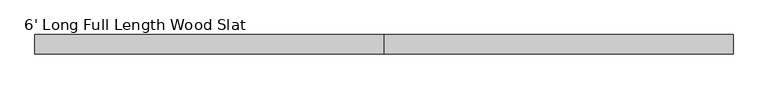
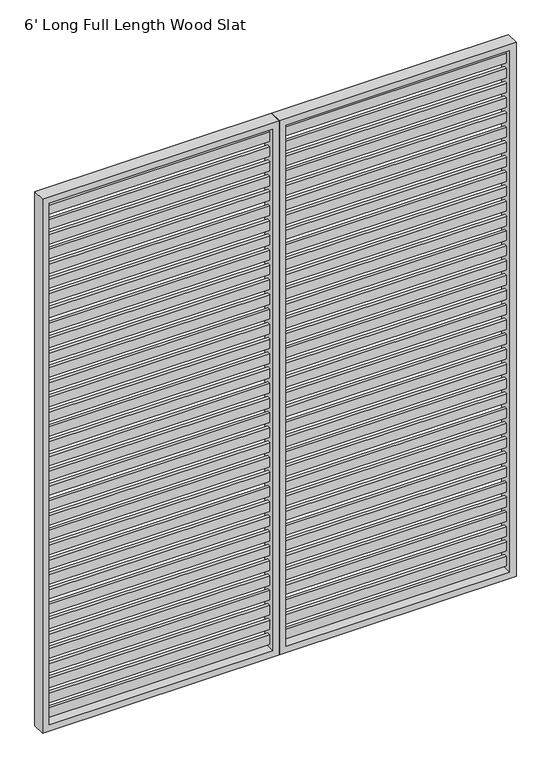
"""IFC4 building model written with IfcOpenShell, lengths in millimetres: furniture geometry, 6' Long Full Length Wood Slat."""

from ifc_helpers import new_model, si_unit, frame, origin, place, context, project, spatial, polyline, outline, extrude, source, transform, mapped, element, save


def furniture_6_long_full_length_wood_slat_55355386(model_context):
    return source(origin(), model_context, "Body", "SweptSolid", [
        extrude(outline(polyline([(1803.4, -6.35), (939.8, -6.35), (939.8, 6.35), (1803.4, 6.35), (1803.4, -6.35)])), frame((0.0, 0.0, 2030.4880644), z_axis=(0.0, 0.0, 1.0), x_axis=(1.0, 0.0, 0.0)), (0.0, 0.0, 1.0), 38.0999955),
        extrude(outline(polyline([(1803.4, -6.35), (939.8, -6.35), (939.8, 6.35), (1803.4, 6.35), (1803.4, -6.35)])), frame((0.0, 0.0, 1970.1654869), z_axis=(0.0, 0.0, 1.0), x_axis=(1.0, 0.0, 0.0)), (0.0, 0.0, 1.0), 38.0999955),
        extrude(outline(polyline([(1803.4, -6.35), (939.8, -6.35), (939.8, 6.35), (1803.4, 6.35), (1803.4, -6.35)])), frame((0.0, 0.0, 1909.8429094), z_axis=(0.0, 0.0, 1.0), x_axis=(1.0, 0.0, 0.0)), (0.0, 0.0, 1.0), 38.0999955),
        extrude(outline(polyline([(1803.4, -6.35), (939.8, -6.35), (939.8, 6.35), (1803.4, 6.35), (1803.4, -6.35)])), frame((0.0, 0.0, 1849.520332), z_axis=(0.0, 0.0, 1.0), x_axis=(1.0, 0.0, 0.0)), (0.0, 0.0, 1.0), 38.0999955),
        extrude(outline(polyline([(1803.4, -6.35), (939.8, -6.35), (939.8, 6.35), (1803.4, 6.35), (1803.4, -6.35)])), frame((0.0, 0.0, 1789.1977545), z_axis=(0.0, 0.0, 1.0), x_axis=(1.0, 0.0, 0.0)), (0.0, 0.0, 1.0), 38.0999955),
        extrude(outline(polyline([(1803.4, -6.35), (939.8, -6.35), (939.8, 6.35), (1803.4, 6.35), (1803.4, -6.35)])), frame((0.0, 0.0, 1728.875177), z_axis=(0.0, 0.0, 1.0), x_axis=(1.0, 0.0, 0.0)), (0.0, 0.0, 1.0), 38.0999955),
        extrude(outline(polyline([(1803.4, -6.35), (939.8, -6.35), (939.8, 6.35), (1803.4, 6.35), (1803.4, -6.35)])), frame((0.0, 0.0, 1668.5525996), z_axis=(0.0, 0.0, 1.0), x_axis=(1.0, 0.0, 0.0)), (0.0, 0.0, 1.0), 38.0999955),
        extrude(outline(polyline([(1803.4, -6.35), (939.8, -6.35), (939.8, 6.35), (1803.4, 6.35), (1803.4, -6.35)])), frame((0.0, 0.0, 1608.2300221), z_axis=(0.0, 0.0, 1.0), x_axis=(1.0, 0.0, 0.0)), (0.0, 0.0, 1.0), 38.0999955),
        extrude(outline(polyline([(1803.4, -6.35), (939.8, -6.35), (939.8, 6.35), (1803.4, 6.35), (1803.4, -6.35)])), frame((0.0, 0.0, 1547.9074446), z_axis=(0.0, 0.0, 1.0), x_axis=(1.0, 0.0, 0.0)), (0.0, 0.0, 1.0), 38.0999955),
        extrude(outline(polyline([(1803.4, -6.35), (939.8, -6.35), (939.8, 6.35), (1803.4, 6.35), (1803.4, -6.35)])), frame((0.0, 0.0, 1487.5848672), z_axis=(0.0, 0.0, 1.0), x_axis=(1.0, 0.0, 0.0)), (0.0, 0.0, 1.0), 38.0999955),
        extrude(outline(polyline([(1803.4, -6.35), (939.8, -6.35), (939.8, 6.35), (1803.4, 6.35), (1803.4, -6.35)])), frame((0.0, 0.0, 1427.2622897), z_axis=(0.0, 0.0, 1.0), x_axis=(1.0, 0.0, 0.0)), (0.0, 0.0, 1.0), 38.0999955),
        extrude(outline(polyline([(1803.4, -6.35), (939.8, -6.35), (939.8, 6.35), (1803.4, 6.35), (1803.4, -6.35)])), frame((0.0, 0.0, 1366.9397122), z_axis=(0.0, 0.0, 1.0), x_axis=(1.0, 0.0, 0.0)), (0.0, 0.0, 1.0), 38.0999955),
        extrude(outline(polyline([(1803.4, -6.35), (939.8, -6.35), (939.8, 6.35), (1803.4, 6.35), (1803.4, -6.35)])), frame((0.0, 0.0, 1306.6171348), z_axis=(0.0, 0.0, 1.0), x_axis=(1.0, 0.0, 0.0)), (0.0, 0.0, 1.0), 38.0999955),
        extrude(outline(polyline([(1803.4, -6.35), (939.8, -6.35), (939.8, 6.35), (1803.4, 6.35), (1803.4, -6.35)])), frame((0.0, 0.0, 1246.2945573), z_axis=(0.0, 0.0, 1.0), x_axis=(1.0, 0.0, 0.0)), (0.0, 0.0, 1.0), 38.0999955),
        extrude(outline(polyline([(1803.4, -6.35), (939.8, -6.35), (939.8, 6.35), (1803.4, 6.35), (1803.4, -6.35)])), frame((0.0, 0.0, 1185.9719798), z_axis=(0.0, 0.0, 1.0), x_axis=(1.0, 0.0, 0.0)), (0.0, 0.0, 1.0), 38.0999955),
        extrude(outline(polyline([(1803.4, -6.35), (939.8, -6.35), (939.8, 6.35), (1803.4, 6.35), (1803.4, -6.35)])), frame((0.0, 0.0, 1125.6494024), z_axis=(0.0, 0.0, 1.0), x_axis=(1.0, 0.0, 0.0)), (0.0, 0.0, 1.0), 38.0999955),
        extrude(outline(polyline([(1803.4, -6.35), (939.8, -6.35), (939.8, 6.35), (1803.4, 6.35), (1803.4, -6.35)])), frame((0.0, 0.0, 1065.3268249), z_axis=(0.0, 0.0, 1.0), x_axis=(1.0, 0.0, 0.0)), (0.0, 0.0, 1.0), 38.0999955),
        extrude(outline(polyline([(1803.4, -6.35), (939.8, -6.35), (939.8, 6.35), (1803.4, 6.35), (1803.4, -6.35)])), frame((0.0, 0.0, 1005.0042474), z_axis=(0.0, 0.0, 1.0), x_axis=(1.0, 0.0, 0.0)), (0.0, 0.0, 1.0), 38.0999955),
        extrude(outline(polyline([(1803.4, -6.35), (939.8, -6.35), (939.8, 6.35), (1803.4, 6.35), (1803.4, -6.35)])), frame((0.0, 0.0, 944.68167), z_axis=(0.0, 0.0, 1.0), x_axis=(1.0, 0.0, 0.0)), (0.0, 0.0, 1.0), 38.0999955),
        extrude(outline(polyline([(1803.4, -6.35), (939.8, -6.35), (939.8, 6.35), (1803.4, 6.35), (1803.4, -6.35)])), frame((0.0, 0.0, 884.3590925), z_axis=(0.0, 0.0, 1.0), x_axis=(1.0, 0.0, 0.0)), (0.0, 0.0, 1.0), 38.0999955),
        extrude(outline(polyline([(1803.4, -6.35), (939.8, -6.35), (939.8, 6.35), (1803.4, 6.35), (1803.4, -6.35)])), frame((0.0, 0.0, 824.036515), z_axis=(0.0, 0.0, 1.0), x_axis=(1.0, 0.0, 0.0)), (0.0, 0.0, 1.0), 38.0999955),
        extrude(outline(polyline([(1803.4, -6.35), (939.8, -6.35), (939.8, 6.35), (1803.4, 6.35), (1803.4, -6.35)])), frame((0.0, 0.0, 763.7139376), z_axis=(0.0, 0.0, 1.0), x_axis=(1.0, 0.0, 0.0)), (0.0, 0.0, 1.0), 38.0999955),
        extrude(outline(polyline([(1803.4, -6.35), (939.8, -6.35), (939.8, 6.35), (1803.4, 6.35), (1803.4, -6.35)])), frame((0.0, 0.0, 703.3913601), z_axis=(0.0, 0.0, 1.0), x_axis=(1.0, 0.0, 0.0)), (0.0, 0.0, 1.0), 38.0999955),
        extrude(outline(polyline([(1803.4, -6.35), (939.8, -6.35), (939.8, 6.35), (1803.4, 6.35), (1803.4, -6.35)])), frame((0.0, 0.0, 643.0687826), z_axis=(0.0, 0.0, 1.0), x_axis=(1.0, 0.0, 0.0)), (0.0, 0.0, 1.0), 38.0999955),
        extrude(outline(polyline([(1803.4, -6.35), (939.8, -6.35), (939.8, 6.35), (1803.4, 6.35), (1803.4, -6.35)])), frame((0.0, 0.0, 582.7462052), z_axis=(0.0, 0.0, 1.0), x_axis=(1.0, 0.0, 0.0)), (0.0, 0.0, 1.0), 38.0999955),
        extrude(outline(polyline([(1803.4, -6.35), (939.8, -6.35), (939.8, 6.35), (1803.4, 6.35), (1803.4, -6.35)])), frame((0.0, 0.0, 522.4236277), z_axis=(0.0, 0.0, 1.0), x_axis=(1.0, 0.0, 0.0)), (0.0, 0.0, 1.0), 38.0999955),
        extrude(outline(polyline([(1803.4, -6.35), (939.8, -6.35), (939.8, 6.35), (1803.4, 6.35), (1803.4, -6.35)])), frame((0.0, 0.0, 462.1010502), z_axis=(0.0, 0.0, 1.0), x_axis=(1.0, 0.0, 0.0)), (0.0, 0.0, 1.0), 38.0999955),
        extrude(outline(polyline([(1803.4, -6.35), (939.8, -6.35), (939.8, 6.35), (1803.4, 6.35), (1803.4, -6.35)])), frame((0.0, 0.0, 401.7784728), z_axis=(0.0, 0.0, 1.0), x_axis=(1.0, 0.0, 0.0)), (0.0, 0.0, 1.0), 38.0999955),
        extrude(outline(polyline([(1803.4, -6.35), (939.8, -6.35), (939.8, 6.35), (1803.4, 6.35), (1803.4, -6.35)])), frame((0.0, 0.0, 341.4558953), z_axis=(0.0, 0.0, 1.0), x_axis=(1.0, 0.0, 0.0)), (0.0, 0.0, 1.0), 38.0999955),
        extrude(outline(polyline([(1803.4, -6.35), (939.8, -6.35), (939.8, 6.35), (1803.4, 6.35), (1803.4, -6.35)])), frame((0.0, 0.0, 281.1333178), z_axis=(0.0, 0.0, 1.0), x_axis=(1.0, 0.0, 0.0)), (0.0, 0.0, 1.0), 38.0999955),
        extrude(outline(polyline([(1803.4, -6.35), (939.8, -6.35), (939.8, 6.35), (1803.4, 6.35), (1803.4, -6.35)])), frame((0.0, 0.0, 220.8107404), z_axis=(0.0, 0.0, 1.0), x_axis=(1.0, 0.0, 0.0)), (0.0, 0.0, 1.0), 38.0999955),
        extrude(outline(polyline([(1803.4, -6.35), (939.8, -6.35), (939.8, 6.35), (1803.4, 6.35), (1803.4, -6.35)])), frame((0.0, 0.0, 160.4881629), z_axis=(0.0, 0.0, 1.0), x_axis=(1.0, 0.0, 0.0)), (0.0, 0.0, 1.0), 38.0999955),
        extrude(outline(polyline([(1803.4, -6.35), (939.8, -6.35), (939.8, 6.35), (1803.4, 6.35), (1803.4, -6.35)])), frame((0.0, 0.0, 100.1655854), z_axis=(0.0, 0.0, 1.0), x_axis=(1.0, 0.0, 0.0)), (0.0, 0.0, 1.0), 38.0999955),
        extrude(outline(polyline([(1803.4, -6.35), (939.8, -6.35), (939.8, 6.35), (1803.4, 6.35), (1803.4, -6.35)])), frame((0.0, 0.0, 2090.8106418), z_axis=(0.0, 0.0, 1.0), x_axis=(1.0, 0.0, 0.0)), (0.0, 0.0, 1.0), 38.0999955),
        extrude(outline(polyline([(1803.4, -6.35), (939.8, -6.35), (939.8, 6.35), (1803.4, 6.35), (1803.4, -6.35)])), frame((0.0, 0.0, 39.843008), z_axis=(0.0, 0.0, 1.0), x_axis=(1.0, 0.0, 0.0)), (0.0, 0.0, 1.0), 38.0999955),
        extrude(outline(polyline([(0.0, 1828.8), (2176.526, 1828.8), (2176.526, 914.4), (0.0, 914.4), (0.0, 1828.8)]), holes=[polyline([(2151.126, 939.8), (2151.126, 1803.4), (25.4, 1803.4), (25.4, 939.8), (2151.126, 939.8)])]), frame((0.0, -25.4, 0.0), z_axis=(0.0, 1.0, 0.0), x_axis=(0.0, 0.0, 1.0)), (0.0, 0.0, 1.0), 50.8),
        extrude(outline(polyline([(889.0, -6.35), (25.4, -6.35), (25.4, 6.35), (889.0, 6.35), (889.0, -6.35)])), frame((0.0, 0.0, 2030.4880644), z_axis=(0.0, 0.0, 1.0), x_axis=(1.0, 0.0, 0.0)), (0.0, 0.0, 1.0), 38.0999955),
        extrude(outline(polyline([(889.0, -6.35), (25.4, -6.35), (25.4, 6.35), (889.0, 6.35), (889.0, -6.35)])), frame((0.0, 0.0, 1970.1654869), z_axis=(0.0, 0.0, 1.0), x_axis=(1.0, 0.0, 0.0)), (0.0, 0.0, 1.0), 38.0999955),
        extrude(outline(polyline([(889.0, -6.35), (25.4, -6.35), (25.4, 6.35), (889.0, 6.35), (889.0, -6.35)])), frame((0.0, 0.0, 1909.8429094), z_axis=(0.0, 0.0, 1.0), x_axis=(1.0, 0.0, 0.0)), (0.0, 0.0, 1.0), 38.0999955),
        extrude(outline(polyline([(889.0, -6.35), (25.4, -6.35), (25.4, 6.35), (889.0, 6.35), (889.0, -6.35)])), frame((0.0, 0.0, 1849.520332), z_axis=(0.0, 0.0, 1.0), x_axis=(1.0, 0.0, 0.0)), (0.0, 0.0, 1.0), 38.0999955),
        extrude(outline(polyline([(889.0, -6.35), (25.4, -6.35), (25.4, 6.35), (889.0, 6.35), (889.0, -6.35)])), frame((0.0, 0.0, 1789.1977545), z_axis=(0.0, 0.0, 1.0), x_axis=(1.0, 0.0, 0.0)), (0.0, 0.0, 1.0), 38.0999955),
        extrude(outline(polyline([(889.0, -6.35), (25.4, -6.35), (25.4, 6.35), (889.0, 6.35), (889.0, -6.35)])), frame((0.0, 0.0, 1728.875177), z_axis=(0.0, 0.0, 1.0), x_axis=(1.0, 0.0, 0.0)), (0.0, 0.0, 1.0), 38.0999955),
        extrude(outline(polyline([(889.0, -6.35), (25.4, -6.35), (25.4, 6.35), (889.0, 6.35), (889.0, -6.35)])), frame((0.0, 0.0, 1668.5525996), z_axis=(0.0, 0.0, 1.0), x_axis=(1.0, 0.0, 0.0)), (0.0, 0.0, 1.0), 38.0999955),
        extrude(outline(polyline([(889.0, -6.35), (25.4, -6.35), (25.4, 6.35), (889.0, 6.35), (889.0, -6.35)])), frame((0.0, 0.0, 1608.2300221), z_axis=(0.0, 0.0, 1.0), x_axis=(1.0, 0.0, 0.0)), (0.0, 0.0, 1.0), 38.0999955),
        extrude(outline(polyline([(889.0, -6.35), (25.4, -6.35), (25.4, 6.35), (889.0, 6.35), (889.0, -6.35)])), frame((0.0, 0.0, 1547.9074446), z_axis=(0.0, 0.0, 1.0), x_axis=(1.0, 0.0, 0.0)), (0.0, 0.0, 1.0), 38.0999955),
        extrude(outline(polyline([(889.0, -6.35), (25.4, -6.35), (25.4, 6.35), (889.0, 6.35), (889.0, -6.35)])), frame((0.0, 0.0, 1487.5848672), z_axis=(0.0, 0.0, 1.0), x_axis=(1.0, 0.0, 0.0)), (0.0, 0.0, 1.0), 38.0999955),
        extrude(outline(polyline([(889.0, -6.35), (25.4, -6.35), (25.4, 6.35), (889.0, 6.35), (889.0, -6.35)])), frame((0.0, 0.0, 1427.2622897), z_axis=(0.0, 0.0, 1.0), x_axis=(1.0, 0.0, 0.0)), (0.0, 0.0, 1.0), 38.0999955),
        extrude(outline(polyline([(889.0, -6.35), (25.4, -6.35), (25.4, 6.35), (889.0, 6.35), (889.0, -6.35)])), frame((0.0, 0.0, 1366.9397122), z_axis=(0.0, 0.0, 1.0), x_axis=(1.0, 0.0, 0.0)), (0.0, 0.0, 1.0), 38.0999955),
        extrude(outline(polyline([(889.0, -6.35), (25.4, -6.35), (25.4, 6.35), (889.0, 6.35), (889.0, -6.35)])), frame((0.0, 0.0, 1306.6171348), z_axis=(0.0, 0.0, 1.0), x_axis=(1.0, 0.0, 0.0)), (0.0, 0.0, 1.0), 38.0999955),
        extrude(outline(polyline([(889.0, -6.35), (25.4, -6.35), (25.4, 6.35), (889.0, 6.35), (889.0, -6.35)])), frame((0.0, 0.0, 1246.2945573), z_axis=(0.0, 0.0, 1.0), x_axis=(1.0, 0.0, 0.0)), (0.0, 0.0, 1.0), 38.0999955),
        extrude(outline(polyline([(889.0, -6.35), (25.4, -6.35), (25.4, 6.35), (889.0, 6.35), (889.0, -6.35)])), frame((0.0, 0.0, 1185.9719798), z_axis=(0.0, 0.0, 1.0), x_axis=(1.0, 0.0, 0.0)), (0.0, 0.0, 1.0), 38.0999955),
        extrude(outline(polyline([(889.0, -6.35), (25.4, -6.35), (25.4, 6.35), (889.0, 6.35), (889.0, -6.35)])), frame((0.0, 0.0, 1125.6494024), z_axis=(0.0, 0.0, 1.0), x_axis=(1.0, 0.0, 0.0)), (0.0, 0.0, 1.0), 38.0999955),
        extrude(outline(polyline([(889.0, -6.35), (25.4, -6.35), (25.4, 6.35), (889.0, 6.35), (889.0, -6.35)])), frame((0.0, 0.0, 1065.3268249), z_axis=(0.0, 0.0, 1.0), x_axis=(1.0, 0.0, 0.0)), (0.0, 0.0, 1.0), 38.0999955),
        extrude(outline(polyline([(889.0, -6.35), (25.4, -6.35), (25.4, 6.35), (889.0, 6.35), (889.0, -6.35)])), frame((0.0, 0.0, 1005.0042474), z_axis=(0.0, 0.0, 1.0), x_axis=(1.0, 0.0, 0.0)), (0.0, 0.0, 1.0), 38.0999955),
        extrude(outline(polyline([(889.0, -6.35), (25.4, -6.35), (25.4, 6.35), (889.0, 6.35), (889.0, -6.35)])), frame((0.0, 0.0, 944.68167), z_axis=(0.0, 0.0, 1.0), x_axis=(1.0, 0.0, 0.0)), (0.0, 0.0, 1.0), 38.0999955),
        extrude(outline(polyline([(889.0, -6.35), (25.4, -6.35), (25.4, 6.35), (889.0, 6.35), (889.0, -6.35)])), frame((0.0, 0.0, 884.3590925), z_axis=(0.0, 0.0, 1.0), x_axis=(1.0, 0.0, 0.0)), (0.0, 0.0, 1.0), 38.0999955),
        extrude(outline(polyline([(889.0, -6.35), (25.4, -6.35), (25.4, 6.35), (889.0, 6.35), (889.0, -6.35)])), frame((0.0, 0.0, 824.036515), z_axis=(0.0, 0.0, 1.0), x_axis=(1.0, 0.0, 0.0)), (0.0, 0.0, 1.0), 38.0999955),
        extrude(outline(polyline([(889.0, -6.35), (25.4, -6.35), (25.4, 6.35), (889.0, 6.35), (889.0, -6.35)])), frame((0.0, 0.0, 763.7139376), z_axis=(0.0, 0.0, 1.0), x_axis=(1.0, 0.0, 0.0)), (0.0, 0.0, 1.0), 38.0999955),
        extrude(outline(polyline([(889.0, -6.35), (25.4, -6.35), (25.4, 6.35), (889.0, 6.35), (889.0, -6.35)])), frame((0.0, 0.0, 703.3913601), z_axis=(0.0, 0.0, 1.0), x_axis=(1.0, 0.0, 0.0)), (0.0, 0.0, 1.0), 38.0999955),
        extrude(outline(polyline([(889.0, -6.35), (25.4, -6.35), (25.4, 6.35), (889.0, 6.35), (889.0, -6.35)])), frame((0.0, 0.0, 643.0687826), z_axis=(0.0, 0.0, 1.0), x_axis=(1.0, 0.0, 0.0)), (0.0, 0.0, 1.0), 38.0999955),
        extrude(outline(polyline([(889.0, -6.35), (25.4, -6.35), (25.4, 6.35), (889.0, 6.35), (889.0, -6.35)])), frame((0.0, 0.0, 582.7462052), z_axis=(0.0, 0.0, 1.0), x_axis=(1.0, 0.0, 0.0)), (0.0, 0.0, 1.0), 38.0999955),
        extrude(outline(polyline([(889.0, -6.35), (25.4, -6.35), (25.4, 6.35), (889.0, 6.35), (889.0, -6.35)])), frame((0.0, 0.0, 522.4236277), z_axis=(0.0, 0.0, 1.0), x_axis=(1.0, 0.0, 0.0)), (0.0, 0.0, 1.0), 38.0999955),
        extrude(outline(polyline([(889.0, -6.35), (25.4, -6.35), (25.4, 6.35), (889.0, 6.35), (889.0, -6.35)])), frame((0.0, 0.0, 462.1010502), z_axis=(0.0, 0.0, 1.0), x_axis=(1.0, 0.0, 0.0)), (0.0, 0.0, 1.0), 38.0999955),
        extrude(outline(polyline([(889.0, -6.35), (25.4, -6.35), (25.4, 6.35), (889.0, 6.35), (889.0, -6.35)])), frame((0.0, 0.0, 401.7784728), z_axis=(0.0, 0.0, 1.0), x_axis=(1.0, 0.0, 0.0)), (0.0, 0.0, 1.0), 38.0999955),
        extrude(outline(polyline([(889.0, -6.35), (25.4, -6.35), (25.4, 6.35), (889.0, 6.35), (889.0, -6.35)])), frame((0.0, 0.0, 341.4558953), z_axis=(0.0, 0.0, 1.0), x_axis=(1.0, 0.0, 0.0)), (0.0, 0.0, 1.0), 38.0999955),
        extrude(outline(polyline([(889.0, -6.35), (25.4, -6.35), (25.4, 6.35), (889.0, 6.35), (889.0, -6.35)])), frame((0.0, 0.0, 281.1333178), z_axis=(0.0, 0.0, 1.0), x_axis=(1.0, 0.0, 0.0)), (0.0, 0.0, 1.0), 38.0999955),
        extrude(outline(polyline([(889.0, -6.35), (25.4, -6.35), (25.4, 6.35), (889.0, 6.35), (889.0, -6.35)])), frame((0.0, 0.0, 220.8107404), z_axis=(0.0, 0.0, 1.0), x_axis=(1.0, 0.0, 0.0)), (0.0, 0.0, 1.0), 38.0999955),
        extrude(outline(polyline([(889.0, -6.35), (25.4, -6.35), (25.4, 6.35), (889.0, 6.35), (889.0, -6.35)])), frame((0.0, 0.0, 160.4881629), z_axis=(0.0, 0.0, 1.0), x_axis=(1.0, 0.0, 0.0)), (0.0, 0.0, 1.0), 38.0999955),
        extrude(outline(polyline([(889.0, -6.35), (25.4, -6.35), (25.4, 6.35), (889.0, 6.35), (889.0, -6.35)])), frame((0.0, 0.0, 100.1655854), z_axis=(0.0, 0.0, 1.0), x_axis=(1.0, 0.0, 0.0)), (0.0, 0.0, 1.0), 38.0999955),
        extrude(outline(polyline([(889.0, -6.35), (25.4, -6.35), (25.4, 6.35), (889.0, 6.35), (889.0, -6.35)])), frame((0.0, 0.0, 2090.8106418), z_axis=(0.0, 0.0, 1.0), x_axis=(1.0, 0.0, 0.0)), (0.0, 0.0, 1.0), 38.0999955),
        extrude(outline(polyline([(889.0, -6.35), (25.4, -6.35), (25.4, 6.35), (889.0, 6.35), (889.0, -6.35)])), frame((0.0, 0.0, 39.843008), z_axis=(0.0, 0.0, 1.0), x_axis=(1.0, 0.0, 0.0)), (0.0, 0.0, 1.0), 38.0999955),
        extrude(outline(polyline([(0.0, 0.0), (0.0, 914.4), (2176.526, 914.4), (2176.526, 0.0), (0.0, 0.0)]), holes=[polyline([(2151.126, 889.0), (25.4, 889.0), (25.4, 25.4), (2151.126, 25.4), (2151.126, 889.0)])]), frame((0.0, -25.4, 0.0), z_axis=(0.0, 1.0, 0.0), x_axis=(0.0, 0.0, 1.0)), (0.0, 0.0, 1.0), 50.8),
    ])


if __name__ == "__main__":
    model = new_model("IFC4")
    model_context = context("Model", 3, world=origin())
    ifc_project = project(units=[si_unit("LENGTHUNIT", "METRE", prefix="MILLI")], contexts=[model_context])
    site = spatial("IfcSite", under=ifc_project)
    building = spatial("IfcBuilding", under=site)
    placement = place(None, origin())
    furniture_6_long_full_length_wood_slat_shape = furniture_6_long_full_length_wood_slat_55355386(model_context)
    element("IfcFurniture", 1, ObjectType="6' Long Full Length Wood Slat", at=placement, inside=building, context=model_context, shape_type="MappedRepresentation", body=[
        mapped(furniture_6_long_full_length_wood_slat_shape, transform((0.0, 0.0, 0.0), x_axis=(1.0, 0.0, 0.0), y_axis=(0.0, 1.0, 0.0), z_axis=(0.0, 0.0, 1.0))),
    ])
    save(model, "model.ifc")
